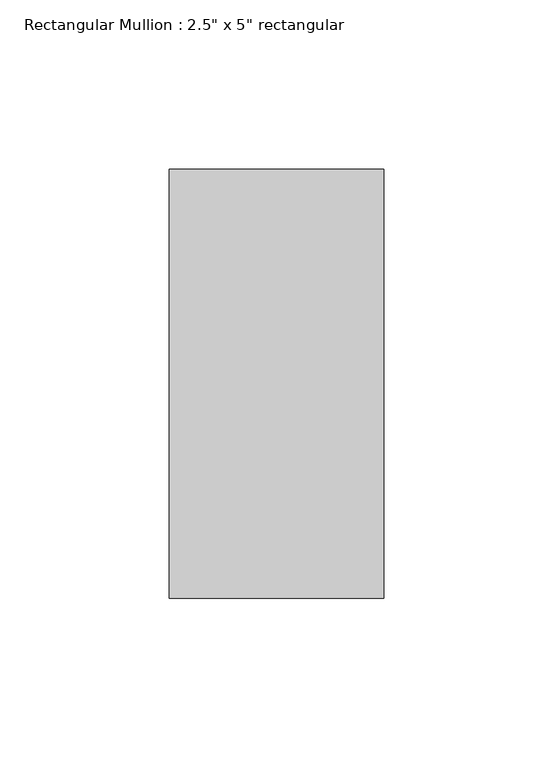
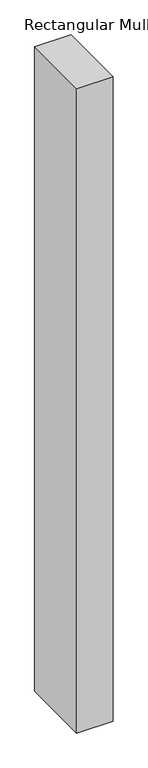
"""IFC4 building model written with IfcOpenShell, lengths in millimetres: member geometry."""

from ifc_helpers import new_model, si_unit, frame, origin, place, context, project, spatial, polyline, outline, extrude, source, transform, mapped, element, save


def member_384f2c17(model_context):
    return source(origin(), model_context, "Body", "SweptSolid", [
        extrude(outline(polyline([(0.0, 63.5), (0.0, -63.5), (-63.5, -63.5), (-63.5, 63.5), (0.0, 63.5)])), frame((0.0, 0.0, -1189.0375), z_axis=(0.0, 0.0, 1.0), x_axis=(1.0, 0.0, 0.0)), (0.0, 0.0, 1.0), 1189.0375),
    ])


if __name__ == "__main__":
    model = new_model("IFC4")
    model_context = context("Model", 3, world=origin())
    ifc_project = project(units=[si_unit("LENGTHUNIT", "METRE", prefix="MILLI")], contexts=[model_context])
    site = spatial("IfcSite", under=ifc_project)
    building = spatial("IfcBuilding", under=site)
    placement = place(None, origin())
    member_shape = member_384f2c17(model_context)
    element("IfcMember", 1, ObjectType="Rectangular Mullion : 2.5\" x 5\" rectangular", at=placement, inside=building, context=model_context, shape_type="MappedRepresentation", body=[
        mapped(member_shape, transform((0.0, 0.0, 0.0), x_axis=(1.0, 0.0, 0.0), y_axis=(0.0, 1.0, 0.0), z_axis=(0.0, 0.0, 1.0))),
    ])
    save(model, "model.ifc")
